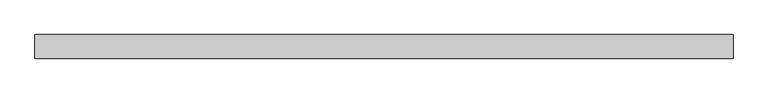
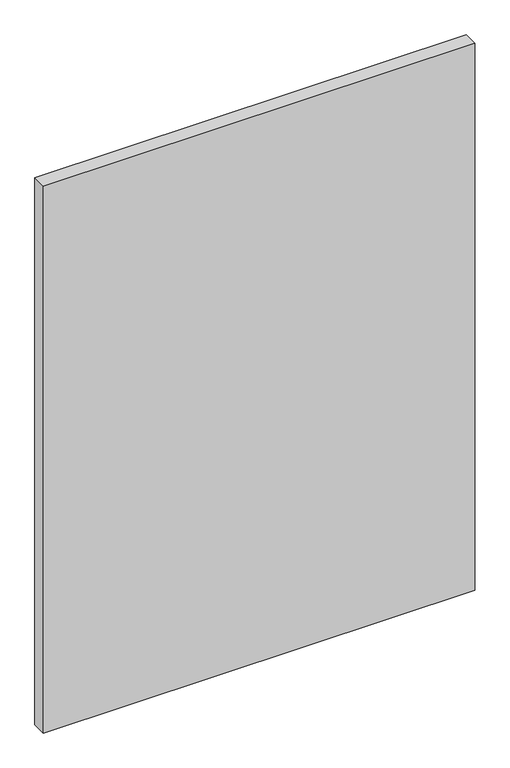
"""IFC4 building model written with IfcOpenShell, lengths in millimetres: plate geometry."""

from ifc_helpers import new_model, si_unit, origin, origin_with_axes, place, context, project, spatial, polyline, outline, extrude, source, transform, mapped, element, save


def plate_601a532a(model_context):
    return source(origin(), model_context, "Body", "SweptSolid", [
        extrude(outline(polyline([(507.9791667, -17.5), (-507.9791667, -17.5), (-507.9791667, 17.5), (507.9791667, 17.5), (507.9791667, -17.5)])), origin_with_axes(), (0.0, 0.0, 1.0), 1362.5560565),
    ])


if __name__ == "__main__":
    model = new_model("IFC4")
    model_context = context("Model", 3, world=origin())
    ifc_project = project(units=[si_unit("LENGTHUNIT", "METRE", prefix="MILLI")], contexts=[model_context])
    site = spatial("IfcSite", under=ifc_project)
    building = spatial("IfcBuilding", under=site)
    placement = place(None, origin())
    plate_shape = plate_601a532a(model_context)
    element("IfcPlate", 1, at=placement, inside=building, context=model_context, shape_type="MappedRepresentation", body=[
        mapped(plate_shape, transform((0.0, 0.0, 0.0), x_axis=(1.0, 0.0, 0.0), y_axis=(0.0, 1.0, 0.0), z_axis=(0.0, 0.0, 1.0))),
    ])
    save(model, "model.ifc")
